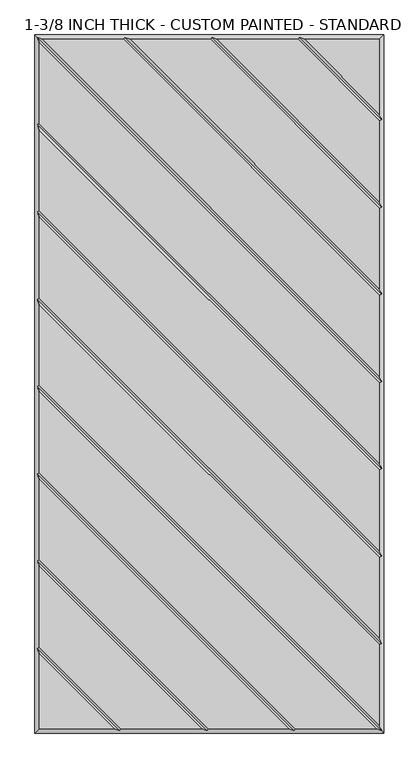
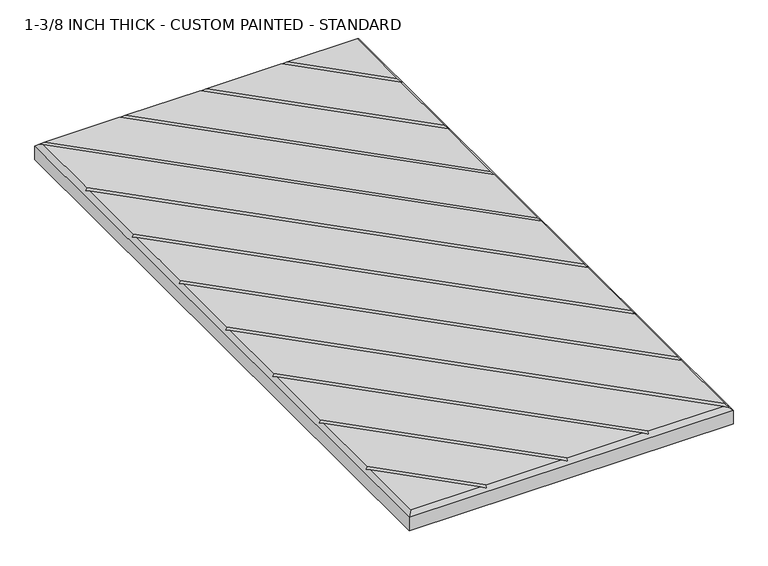
"""IFC4 building model written with IfcOpenShell, lengths in millimetres: proxy geometry, 1-3/8 INCH THICK - CUSTOM PAINTED - STANDARD."""

from ifc_helpers import new_model, si_unit, origin, place, context, project, spatial, faceted_brep, source, transform, mapped, element, save


def proxy_1_3_8_inch_thick_custom_painted_standard_67212c90(model_context):
    return source(origin(), model_context, "Body", "Brep", [
        faceted_brep([(296.799, 601.599, 34.925), (166.0590948, 601.599, 34.925), (296.799, 470.8590948, 34.925), (-296.799, -601.599, 34.925), (-166.0590079, -601.599, 34.925), (-296.799, -470.8585721, 34.925), (296.799, 459.543972, 34.925), (154.743972, 601.599, 34.925), (13.6585868, 601.599, 34.925), (296.799, 318.4585868, 34.925), (296.799, 307.143464, 34.925), (2.343464, 601.599, 34.925), (-138.7419092, 601.599, 34.925), (296.799, 166.0585747, 34.925), (296.799, 154.7434583, 34.925), (-150.0570382, 601.599, 34.925), (-291.1414386, 601.599, 34.925), (296.799, 13.6585614, 34.925), (296.799, 2.3434386, 34.925), (-296.799, 595.9414386, 34.925), (-296.799, 454.8565868, 34.925), (296.799, -138.7414132, 34.925), (296.799, -150.056536, 34.925), (-296.799, 443.541464, 34.925), (-296.799, 302.4565868, 34.925), (296.799, -291.1414132, 34.925), (296.799, -302.456536, 34.925), (-296.799, 291.141464, 34.925), (-296.799, 150.0565868, 34.925), (296.799, -443.5414132, 34.925), (296.799, -454.856536, 34.925), (-296.799, 138.741464, 34.925), (-296.799, -2.3434386, 34.925), (296.799, -595.9414386, 34.925), (291.1414386, -601.599, 34.925), (-296.799, -13.6585614, 34.925), (-296.799, -154.7434132, 34.925), (150.0565868, -601.599, 34.925), (-296.799, -459.5434305, 34.925), (-154.743904, -601.599, 34.925), (-13.6585605, -601.599, 34.925), (-296.799, -318.4585369, 34.925), (-296.799, -307.1434137, 34.925), (-2.3434382, -601.599, 34.925), (138.741464, -601.599, 34.925), (-296.799, -166.058536, 34.925), (-304.8, 609.6, 0.0), (304.8, 609.6, 0.0), (304.8, -609.6, 0.0), (-304.8, -609.6, 0.0), (-304.8, -609.6, 26.924), (-304.8, 609.6, 26.924), (304.8, -609.6, 26.924), (304.8, 609.6, 26.924), (-300.7995, 605.5995, 30.9245), (-148.3999782, 605.5995, 30.9245), (4.0005254, 605.5995, 30.9245), (156.4010334, 605.5995, 30.9245), (-300.7995, -461.2004879, 30.9245), (-300.7995, -308.8004749, 30.9245), (-300.7995, -156.4004746, 30.9245), (-300.7995, -4.0005, 30.9245), (-300.7995, 148.3995254, 30.9245), (-300.7995, 300.7995254, 30.9245), (-300.7995, 453.1995254, 30.9245), (300.7995, -605.5995, 30.9245), (148.3995254, -605.5995, 30.9245), (-4.0004997, -605.5995, 30.9245), (-156.4009693, -605.5995, 30.9245), (300.7995, 461.2010334, 30.9245), (300.7995, 308.8005254, 30.9245), (300.7995, 156.400521, 30.9245), (300.7995, 4.0005, 30.9245), (300.7995, -148.3994746, 30.9245), (300.7995, -300.7994746, 30.9245), (300.7995, -453.1994746, 30.9245)], [[[0, 1, 2]], [[3, 4, 5]], [[6, 7, 8, 9]], [[10, 11, 12, 13]], [[14, 15, 16, 17]], [[18, 19, 20, 21]], [[22, 23, 24, 25]], [[26, 27, 28, 29]], [[30, 31, 32, 33]], [[34, 35, 36, 37]], [[38, 39, 40, 41]], [[42, 43, 44, 45]], [[46, 47, 48, 49]], [[46, 49, 50, 51]], [[49, 48, 52, 50]], [[48, 47, 53, 52]], [[47, 46, 51, 53]], [[0, 53, 51, 54, 16, 15, 55, 12, 11, 56, 8, 7, 57, 1]], [[50, 3, 5, 58, 38, 41, 59, 42, 45, 60, 36, 35, 61, 32, 31, 62, 28, 27, 63, 24, 23, 64, 20, 19, 54, 51]], [[3, 50, 52, 65, 34, 37, 66, 44, 43, 67, 40, 39, 68, 4]], [[53, 0, 2, 69, 6, 9, 70, 10, 13, 71, 14, 17, 72, 18, 21, 73, 22, 25, 74, 26, 29, 75, 30, 33, 65, 52]], [[57, 69, 2, 1]], [[69, 57, 7, 6]], [[56, 70, 9, 8]], [[70, 56, 11, 10]], [[55, 71, 13, 12]], [[71, 55, 15, 14]], [[54, 72, 17, 16]], [[72, 54, 19, 18]], [[64, 73, 21, 20]], [[73, 64, 23, 22]], [[63, 74, 25, 24]], [[74, 63, 27, 26]], [[62, 75, 29, 28]], [[75, 62, 31, 30]], [[61, 65, 33, 32]], [[65, 61, 35, 34]], [[58, 68, 39, 38]], [[68, 58, 5, 4]], [[59, 67, 43, 42]], [[67, 59, 41, 40]], [[60, 66, 37, 36]], [[66, 60, 45, 44]]]),
    ])


if __name__ == "__main__":
    model = new_model("IFC4")
    model_context = context("Model", 3, world=origin())
    ifc_project = project(units=[si_unit("LENGTHUNIT", "METRE", prefix="MILLI")], contexts=[model_context])
    site = spatial("IfcSite", under=ifc_project)
    building = spatial("IfcBuilding", under=site)
    placement = place(None, origin())
    proxy_1_3_8_inch_thick_custom_painted_standard_shape = proxy_1_3_8_inch_thick_custom_painted_standard_67212c90(model_context)
    element("IfcBuildingElementProxy", 1, Name="1-3/8 INCH THICK - CUSTOM PAINTED - STANDARD", ObjectType="1-3/8 INCH THICK - CUSTOM PAINTED - STANDARD", at=placement, inside=building, context=model_context, shape_type="MappedRepresentation", body=[
        mapped(proxy_1_3_8_inch_thick_custom_painted_standard_shape, transform((0.0, 0.0, 0.0), x_axis=(1.0, 0.0, 0.0), y_axis=(0.0, 1.0, 0.0), z_axis=(0.0, 0.0, 1.0))),
    ])
    save(model, "model.ifc")
